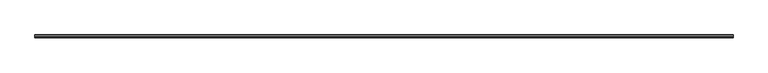
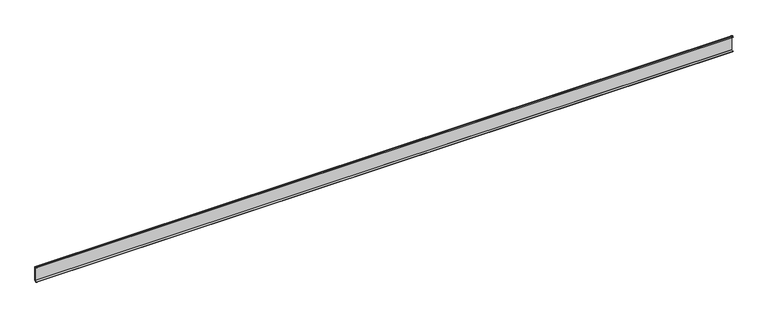
"""IFC4 building model written with IfcOpenShell, lengths in millimetres: plate geometry."""

from ifc_helpers import new_model, si_unit, point, frame, frame_2d, origin, place, context, project, spatial, polyline, circle_curve, trimmed, segment, composite_curve, outline, extrude, source, transform, mapped, element, save


def plate_05768d84(model_context):
    return source(origin(), model_context, "Body", "SweptSolid", [
        extrude(outline(polyline([(1780.0000002, 14.1978466), (1780.0000002, 13.3978466), (-1780.0000002, 13.3978466), (-1780.0000002, 14.1978466), (1780.0000002, 14.1978466)])), frame((0.0, 0.0, 16.489603), z_axis=(0.0, 0.0, 1.0), x_axis=(1.0, 0.0, 0.0)), (0.0, 0.0, 1.0), 72.020794),
        extrude(outline(composite_curve([segment(trimmed(circle_curve(frame_2d((13.0032186, 88.3969777)), 2.0), [point((14.0032186, 90.1290285))], [point((15.0, 88.510397))], False, "CARTESIAN"), True, "CONTINUOUS"), segment(polyline([(15.0, 88.510397), (14.1978466, 88.510397)]), True, "CONTINUOUS"), segment(trimmed(circle_curve(frame_2d((13.0032186, 88.3969777)), 1.2), [point((14.1978466, 88.510397))], [point((13.6032186, 89.4362082))], True, "CARTESIAN"), True, "CONTINUOUS"), segment(polyline([(13.6032186, 89.4362082), (5.2655943, 94.2499378), (1.5355959, 90.5199394), (0.9699105, 91.0856248), (4.5913925, 94.7071068)]), True, "CONTINUOUS"), segment(trimmed(circle_curve(frame_2d((5.2984993, 94.0)), 1.0), [point((4.5913925, 94.7071068))], [point((5.7984993, 94.8660254))], False, "CARTESIAN"), True, "CONTINUOUS"), segment(polyline([(5.7984993, 94.8660254), (14.0032186, 90.1290285)]), True, "CONTINUOUS")], self_intersect=False)), frame((-1780.0000002, 0.0, 0.0), z_axis=(1.0, 0.0, 0.0), x_axis=(0.0, 1.0, 0.0)), (0.0, 0.0, 1.0), 3560.0000003),
        extrude(outline(composite_curve([segment(polyline([(14.0032186, 14.8709715), (5.7984993, 10.1339746)]), True, "CONTINUOUS"), segment(trimmed(circle_curve(frame_2d((5.2984993, 11.0)), 1.0), [point((5.7984993, 10.1339746))], [point((4.5913925, 10.2928932))], False, "CARTESIAN"), True, "CONTINUOUS"), segment(polyline([(4.5913925, 10.2928932), (0.9699105, 13.9143752), (1.5355959, 14.4800606), (5.2655943, 10.7500622), (13.6032186, 15.5637918)]), True, "CONTINUOUS"), segment(trimmed(circle_curve(frame_2d((13.0032186, 16.6030223)), 1.2), [point((13.6032186, 15.5637918))], [point((14.1978466, 16.489603))], True, "CARTESIAN"), True, "CONTINUOUS"), segment(polyline([(14.1978466, 16.489603), (15.0, 16.489603)]), True, "CONTINUOUS"), segment(trimmed(circle_curve(frame_2d((13.0032186, 16.6030223)), 2.0), [point((15.0, 16.489603))], [point((14.0032186, 14.8709715))], False, "CARTESIAN"), True, "CONTINUOUS")], self_intersect=False)), frame((-1780.0000002, 0.0, 0.0), z_axis=(1.0, 0.0, 0.0), x_axis=(0.0, 1.0, 0.0)), (0.0, 0.0, 1.0), 3560.0000003),
        extrude(outline(polyline([(1780.0000002, 15.0), (1780.0000002, 14.2), (-1780.0000002, 14.2), (-1780.0000002, 15.0), (1780.0000002, 15.0)])), frame((0.0, 0.0, 16.489603), z_axis=(0.0, 0.0, 1.0), x_axis=(1.0, 0.0, 0.0)), (0.0, 0.0, 1.0), 72.020794),
    ])


if __name__ == "__main__":
    model = new_model("IFC4")
    model_context = context("Model", 3, world=origin())
    ifc_project = project(units=[si_unit("LENGTHUNIT", "METRE", prefix="MILLI")], contexts=[model_context])
    site = spatial("IfcSite", under=ifc_project)
    building = spatial("IfcBuilding", under=site)
    placement = place(None, origin())
    plate_shape = plate_05768d84(model_context)
    element("IfcPlate", 1, at=placement, inside=building, context=model_context, shape_type="MappedRepresentation", body=[
        mapped(plate_shape, transform((0.0, 0.0, 0.0), x_axis=(1.0, 0.0, 0.0), y_axis=(0.0, 1.0, 0.0), z_axis=(0.0, 0.0, 1.0))),
    ])
    save(model, "model.ifc")
